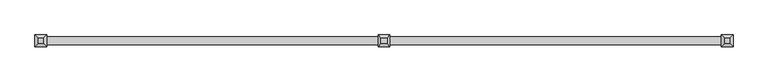
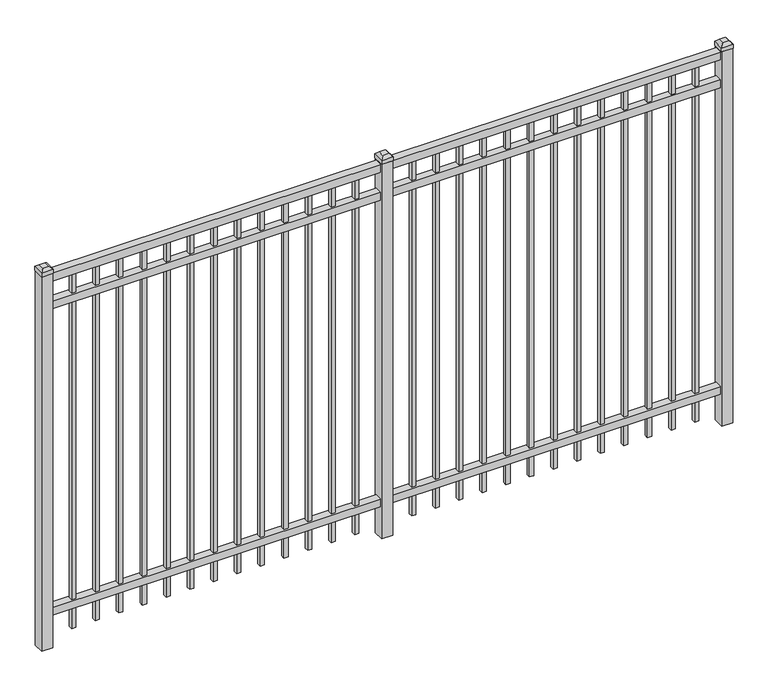
"""IFC4 building model written with IfcOpenShell, lengths in millimetres: railing geometry."""

from ifc_helpers import new_model, si_unit, frame, origin, origin_with_axes, place, context, project, spatial, polyline, outline, extrude, faceted_brep, source, transform, mapped, element, save


def railing_616ff01d(model_context):
    return source(origin(), model_context, "Body", "SolidModel", [
        extrude(outline(polyline([(-67441.318087, -652.7195174), (-67441.318087, -617.7945174), (-64291.718087, -617.7945174), (-64291.718087, -652.7195174), (-67441.318087, -652.7195174)])), frame((0.0, 0.0, 1790.7), z_axis=(0.0, 0.0, 1.0), x_axis=(1.0, 0.0, 0.0)), (0.0, 0.0, 1.0), 38.1),
        extrude(outline(polyline([(-67441.318087, -652.7195174), (-67441.318087, -617.7945174), (-64291.718087, -617.7945174), (-64291.718087, -652.7195174), (-67441.318087, -652.7195174)])), frame((0.0, 0.0, 1654.175), z_axis=(0.0, 0.0, 1.0), x_axis=(1.0, 0.0, 0.0)), (0.0, 0.0, 1.0), 38.1),
        extrude(outline(polyline([(-67441.318087, -652.7195174), (-67441.318087, -617.7945174), (-64291.718087, -617.7945174), (-64291.718087, -652.7195174), (-67441.318087, -652.7195174)])), frame((0.0, 0.0, 152.4), z_axis=(0.0, 0.0, 1.0), x_axis=(1.0, 0.0, 0.0)), (0.0, 0.0, 1.0), 38.1),
        extrude(outline(polyline([(-64523.2285036, -625.7320174), (-64523.2285036, -644.7820174), (-64542.2785036, -644.7820174), (-64542.2785036, -625.7320174), (-64523.2285036, -625.7320174)])), frame((0.0, 0.0, 50.8), z_axis=(0.0, 0.0, 1.0), x_axis=(1.0, 0.0, 0.0)), (0.0, 0.0, 1.0), 1739.9),
        extrude(outline(polyline([(-64632.5014203, -625.7320174), (-64632.5014203, -644.7820174), (-64651.5514203, -644.7820174), (-64651.5514203, -625.7320174), (-64632.5014203, -625.7320174)])), frame((0.0, 0.0, 50.8), z_axis=(0.0, 0.0, 1.0), x_axis=(1.0, 0.0, 0.0)), (0.0, 0.0, 1.0), 1739.9),
        extrude(outline(polyline([(-64741.774337, -625.7320174), (-64741.774337, -644.7820174), (-64760.824337, -644.7820174), (-64760.824337, -625.7320174), (-64741.774337, -625.7320174)])), frame((0.0, 0.0, 50.8), z_axis=(0.0, 0.0, 1.0), x_axis=(1.0, 0.0, 0.0)), (0.0, 0.0, 1.0), 1739.9),
        extrude(outline(polyline([(-64851.0472536, -625.7320174), (-64851.0472536, -644.7820174), (-64870.0972536, -644.7820174), (-64870.0972536, -625.7320174), (-64851.0472536, -625.7320174)])), frame((0.0, 0.0, 50.8), z_axis=(0.0, 0.0, 1.0), x_axis=(1.0, 0.0, 0.0)), (0.0, 0.0, 1.0), 1739.9),
        extrude(outline(polyline([(-64960.3201703, -625.7320174), (-64960.3201703, -644.7820174), (-64979.3701703, -644.7820174), (-64979.3701703, -625.7320174), (-64960.3201703, -625.7320174)])), frame((0.0, 0.0, 50.8), z_axis=(0.0, 0.0, 1.0), x_axis=(1.0, 0.0, 0.0)), (0.0, 0.0, 1.0), 1739.9),
        extrude(outline(polyline([(-65069.593087, -625.7320174), (-65069.593087, -644.7820174), (-65088.643087, -644.7820174), (-65088.643087, -625.7320174), (-65069.593087, -625.7320174)])), frame((0.0, 0.0, 50.8), z_axis=(0.0, 0.0, 1.0), x_axis=(1.0, 0.0, 0.0)), (0.0, 0.0, 1.0), 1739.9),
        extrude(outline(polyline([(-65178.8660036, -625.7320174), (-65178.8660036, -644.7820174), (-65197.9160036, -644.7820174), (-65197.9160036, -625.7320174), (-65178.8660036, -625.7320174)])), frame((0.0, 0.0, 50.8), z_axis=(0.0, 0.0, 1.0), x_axis=(1.0, 0.0, 0.0)), (0.0, 0.0, 1.0), 1739.9),
        extrude(outline(polyline([(-65288.1389203, -625.7320174), (-65288.1389203, -644.7820174), (-65307.1889203, -644.7820174), (-65307.1889203, -625.7320174), (-65288.1389203, -625.7320174)])), frame((0.0, 0.0, 50.8), z_axis=(0.0, 0.0, 1.0), x_axis=(1.0, 0.0, 0.0)), (0.0, 0.0, 1.0), 1739.9),
        extrude(outline(polyline([(-65397.411837, -625.7320174), (-65397.411837, -644.7820174), (-65416.461837, -644.7820174), (-65416.461837, -625.7320174), (-65397.411837, -625.7320174)])), frame((0.0, 0.0, 50.8), z_axis=(0.0, 0.0, 1.0), x_axis=(1.0, 0.0, 0.0)), (0.0, 0.0, 1.0), 1739.9),
        extrude(outline(polyline([(-65506.6847536, -625.7320174), (-65506.6847536, -644.7820174), (-65525.7347536, -644.7820174), (-65525.7347536, -625.7320174), (-65506.6847536, -625.7320174)])), frame((0.0, 0.0, 50.8), z_axis=(0.0, 0.0, 1.0), x_axis=(1.0, 0.0, 0.0)), (0.0, 0.0, 1.0), 1739.9),
        extrude(outline(polyline([(-65615.9576703, -625.7320174), (-65615.9576703, -644.7820174), (-65635.0076703, -644.7820174), (-65635.0076703, -625.7320174), (-65615.9576703, -625.7320174)])), frame((0.0, 0.0, 50.8), z_axis=(0.0, 0.0, 1.0), x_axis=(1.0, 0.0, 0.0)), (0.0, 0.0, 1.0), 1739.9),
        extrude(outline(polyline([(-64413.955587, -625.7320174), (-64413.955587, -644.7820174), (-64433.005587, -644.7820174), (-64433.005587, -625.7320174), (-64413.955587, -625.7320174)])), frame((0.0, 0.0, 50.8), z_axis=(0.0, 0.0, 1.0), x_axis=(1.0, 0.0, 0.0)), (0.0, 0.0, 1.0), 1739.9),
        extrude(outline(polyline([(-65725.230587, -625.7320174), (-65725.230587, -644.7820174), (-65744.280587, -644.7820174), (-65744.280587, -625.7320174), (-65725.230587, -625.7320174)])), frame((0.0, 0.0, 50.8), z_axis=(0.0, 0.0, 1.0), x_axis=(1.0, 0.0, 0.0)), (0.0, 0.0, 1.0), 1739.9),
        extrude(outline(polyline([(-65841.118087, -609.8570174), (-65841.118087, -660.6570174), (-65891.918087, -660.6570174), (-65891.918087, -609.8570174), (-65841.118087, -609.8570174)])), origin_with_axes(), (0.0, 0.0, 1.0), 1835.15),
        faceted_brep([(-65893.505587, -608.2695174, 1854.2), (-65893.505587, -608.2695174, 1835.15), (-65893.505587, -662.2445174, 1835.15), (-65893.505587, -662.2445174, 1854.2), (-65880.805587, -620.9695174, 1866.9), (-65880.805587, -649.5445174, 1866.9), (-65839.530587, -662.2445174, 1835.15), (-65839.530587, -662.2445174, 1854.2), (-65852.230587, -649.5445174, 1866.9), (-65839.530587, -608.2695174, 1835.15), (-65839.530587, -608.2695174, 1854.2), (-65852.230587, -620.9695174, 1866.9)], [[[0, 1, 2, 3]], [[4, 0, 3, 5]], [[3, 2, 6, 7]], [[5, 3, 7, 8]], [[7, 6, 9, 10]], [[8, 7, 10, 11]], [[10, 9, 1, 0]], [[11, 10, 0, 4]], [[5, 8, 11, 4]], [[1, 9, 6, 2]]]),
        extrude(outline(polyline([(-66098.0285036, -625.7320174), (-66098.0285036, -644.7820174), (-66117.0785036, -644.7820174), (-66117.0785036, -625.7320174), (-66098.0285036, -625.7320174)])), frame((0.0, 0.0, 50.8), z_axis=(0.0, 0.0, 1.0), x_axis=(1.0, 0.0, 0.0)), (0.0, 0.0, 1.0), 1739.9),
        extrude(outline(polyline([(-66207.3014203, -625.7320174), (-66207.3014203, -644.7820174), (-66226.3514203, -644.7820174), (-66226.3514203, -625.7320174), (-66207.3014203, -625.7320174)])), frame((0.0, 0.0, 50.8), z_axis=(0.0, 0.0, 1.0), x_axis=(1.0, 0.0, 0.0)), (0.0, 0.0, 1.0), 1739.9),
        extrude(outline(polyline([(-66316.574337, -625.7320174), (-66316.574337, -644.7820174), (-66335.624337, -644.7820174), (-66335.624337, -625.7320174), (-66316.574337, -625.7320174)])), frame((0.0, 0.0, 50.8), z_axis=(0.0, 0.0, 1.0), x_axis=(1.0, 0.0, 0.0)), (0.0, 0.0, 1.0), 1739.9),
        extrude(outline(polyline([(-66425.8472536, -625.7320174), (-66425.8472536, -644.7820174), (-66444.8972536, -644.7820174), (-66444.8972536, -625.7320174), (-66425.8472536, -625.7320174)])), frame((0.0, 0.0, 50.8), z_axis=(0.0, 0.0, 1.0), x_axis=(1.0, 0.0, 0.0)), (0.0, 0.0, 1.0), 1739.9),
        extrude(outline(polyline([(-66535.1201703, -625.7320174), (-66535.1201703, -644.7820174), (-66554.1701703, -644.7820174), (-66554.1701703, -625.7320174), (-66535.1201703, -625.7320174)])), frame((0.0, 0.0, 50.8), z_axis=(0.0, 0.0, 1.0), x_axis=(1.0, 0.0, 0.0)), (0.0, 0.0, 1.0), 1739.9),
        extrude(outline(polyline([(-66644.393087, -625.7320174), (-66644.393087, -644.7820174), (-66663.443087, -644.7820174), (-66663.443087, -625.7320174), (-66644.393087, -625.7320174)])), frame((0.0, 0.0, 50.8), z_axis=(0.0, 0.0, 1.0), x_axis=(1.0, 0.0, 0.0)), (0.0, 0.0, 1.0), 1739.9),
        extrude(outline(polyline([(-66753.6660036, -625.7320174), (-66753.6660036, -644.7820174), (-66772.7160036, -644.7820174), (-66772.7160036, -625.7320174), (-66753.6660036, -625.7320174)])), frame((0.0, 0.0, 50.8), z_axis=(0.0, 0.0, 1.0), x_axis=(1.0, 0.0, 0.0)), (0.0, 0.0, 1.0), 1739.9),
        extrude(outline(polyline([(-66862.9389203, -625.7320174), (-66862.9389203, -644.7820174), (-66881.9889203, -644.7820174), (-66881.9889203, -625.7320174), (-66862.9389203, -625.7320174)])), frame((0.0, 0.0, 50.8), z_axis=(0.0, 0.0, 1.0), x_axis=(1.0, 0.0, 0.0)), (0.0, 0.0, 1.0), 1739.9),
        extrude(outline(polyline([(-66972.211837, -625.7320174), (-66972.211837, -644.7820174), (-66991.261837, -644.7820174), (-66991.261837, -625.7320174), (-66972.211837, -625.7320174)])), frame((0.0, 0.0, 50.8), z_axis=(0.0, 0.0, 1.0), x_axis=(1.0, 0.0, 0.0)), (0.0, 0.0, 1.0), 1739.9),
        extrude(outline(polyline([(-67081.4847536, -625.7320174), (-67081.4847536, -644.7820174), (-67100.5347536, -644.7820174), (-67100.5347536, -625.7320174), (-67081.4847536, -625.7320174)])), frame((0.0, 0.0, 50.8), z_axis=(0.0, 0.0, 1.0), x_axis=(1.0, 0.0, 0.0)), (0.0, 0.0, 1.0), 1739.9),
        extrude(outline(polyline([(-67190.7576703, -625.7320174), (-67190.7576703, -644.7820174), (-67209.8076703, -644.7820174), (-67209.8076703, -625.7320174), (-67190.7576703, -625.7320174)])), frame((0.0, 0.0, 50.8), z_axis=(0.0, 0.0, 1.0), x_axis=(1.0, 0.0, 0.0)), (0.0, 0.0, 1.0), 1739.9),
        extrude(outline(polyline([(-65988.755587, -625.7320174), (-65988.755587, -644.7820174), (-66007.805587, -644.7820174), (-66007.805587, -625.7320174), (-65988.755587, -625.7320174)])), frame((0.0, 0.0, 50.8), z_axis=(0.0, 0.0, 1.0), x_axis=(1.0, 0.0, 0.0)), (0.0, 0.0, 1.0), 1739.9),
        extrude(outline(polyline([(-67300.030587, -625.7320174), (-67300.030587, -644.7820174), (-67319.080587, -644.7820174), (-67319.080587, -625.7320174), (-67300.030587, -625.7320174)])), frame((0.0, 0.0, 50.8), z_axis=(0.0, 0.0, 1.0), x_axis=(1.0, 0.0, 0.0)), (0.0, 0.0, 1.0), 1739.9),
        extrude(outline(polyline([(-64266.318087, -609.8570174), (-64266.318087, -660.6570174), (-64317.118087, -660.6570174), (-64317.118087, -609.8570174), (-64266.318087, -609.8570174)])), origin_with_axes(), (0.0, 0.0, 1.0), 1835.15),
        faceted_brep([(-64318.705587, -608.2695174, 1854.2), (-64318.705587, -608.2695174, 1835.15), (-64318.705587, -662.2445174, 1835.15), (-64318.705587, -662.2445174, 1854.2), (-64306.005587, -620.9695174, 1866.9), (-64306.005587, -649.5445174, 1866.9), (-64264.730587, -662.2445174, 1835.15), (-64264.730587, -662.2445174, 1854.2), (-64277.430587, -649.5445174, 1866.9), (-64264.730587, -608.2695174, 1835.15), (-64264.730587, -608.2695174, 1854.2), (-64277.430587, -620.9695174, 1866.9)], [[[0, 1, 2, 3]], [[4, 0, 3, 5]], [[3, 2, 6, 7]], [[5, 3, 7, 8]], [[7, 6, 9, 10]], [[8, 7, 10, 11]], [[10, 9, 1, 0]], [[11, 10, 0, 4]], [[5, 8, 11, 4]], [[1, 9, 6, 2]]]),
        extrude(outline(polyline([(-67415.918087, -609.8570174), (-67415.918087, -660.6570174), (-67466.718087, -660.6570174), (-67466.718087, -609.8570174), (-67415.918087, -609.8570174)])), origin_with_axes(), (0.0, 0.0, 1.0), 1835.15),
        faceted_brep([(-67468.305587, -608.2695174, 1854.2), (-67468.305587, -608.2695174, 1835.15), (-67468.305587, -662.2445174, 1835.15), (-67468.305587, -662.2445174, 1854.2), (-67455.605587, -620.9695174, 1866.9), (-67455.605587, -649.5445174, 1866.9), (-67414.330587, -662.2445174, 1835.15), (-67414.330587, -662.2445174, 1854.2), (-67427.030587, -649.5445174, 1866.9), (-67414.330587, -608.2695174, 1835.15), (-67414.330587, -608.2695174, 1854.2), (-67427.030587, -620.9695174, 1866.9)], [[[0, 1, 2, 3]], [[4, 0, 3, 5]], [[3, 2, 6, 7]], [[5, 3, 7, 8]], [[7, 6, 9, 10]], [[8, 7, 10, 11]], [[10, 9, 1, 0]], [[11, 10, 0, 4]], [[5, 8, 11, 4]], [[1, 9, 6, 2]]]),
    ])


if __name__ == "__main__":
    model = new_model("IFC4")
    model_context = context("Model", 3, world=origin())
    ifc_project = project(units=[si_unit("LENGTHUNIT", "METRE", prefix="MILLI")], contexts=[model_context])
    site = spatial("IfcSite", under=ifc_project)
    building = spatial("IfcBuilding", under=site)
    placement = place(None, origin())
    railing_shape = railing_616ff01d(model_context)
    element("IfcRailing", 1, at=placement, inside=building, context=model_context, shape_type="MappedRepresentation", body=[
        mapped(railing_shape, transform((0.0, 0.0, 0.0), x_axis=(1.0, 0.0, 0.0), y_axis=(0.0, 1.0, 0.0), z_axis=(0.0, 0.0, 1.0))),
    ])
    save(model, "model.ifc")
